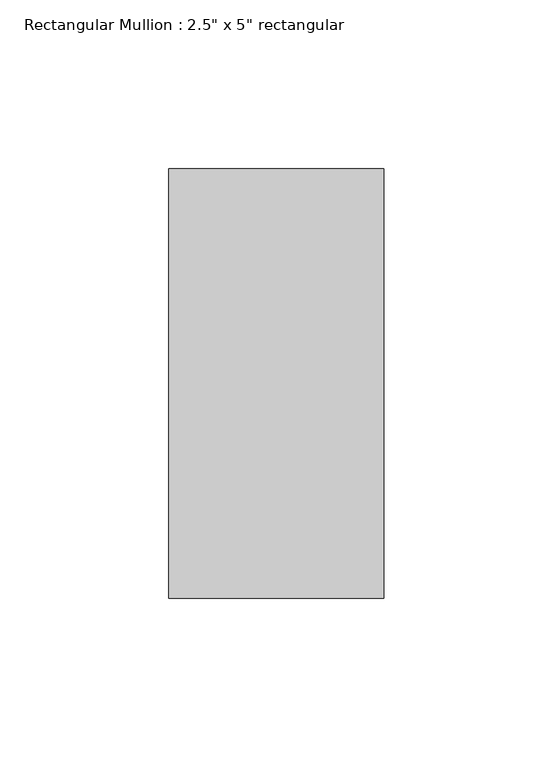
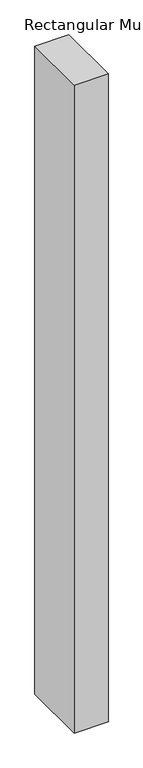
"""IFC4 building model written with IfcOpenShell, lengths in millimetres: member geometry."""

from ifc_helpers import new_model, si_unit, frame, origin, place, context, project, spatial, polyline, outline, extrude, source, transform, mapped, element, save


def member_46c22ae3(model_context):
    return source(origin(), model_context, "Body", "SweptSolid", [
        extrude(outline(polyline([(0.0, 63.5), (0.0, -63.5), (-63.5, -63.5), (-63.5, 63.5), (0.0, 63.5)])), frame((0.0, 0.0, -1282.0945449), z_axis=(0.0, 0.0, 1.0), x_axis=(1.0, 0.0, 0.0)), (0.0, 0.0, 1.0), 1282.0945449),
    ])


if __name__ == "__main__":
    model = new_model("IFC4")
    model_context = context("Model", 3, world=origin())
    ifc_project = project(units=[si_unit("LENGTHUNIT", "METRE", prefix="MILLI")], contexts=[model_context])
    site = spatial("IfcSite", under=ifc_project)
    building = spatial("IfcBuilding", under=site)
    placement = place(None, origin())
    member_shape = member_46c22ae3(model_context)
    element("IfcMember", 1, ObjectType="Rectangular Mullion : 2.5\" x 5\" rectangular", at=placement, inside=building, context=model_context, shape_type="MappedRepresentation", body=[
        mapped(member_shape, transform((0.0, 0.0, 0.0), x_axis=(1.0, 0.0, 0.0), y_axis=(0.0, 1.0, 0.0), z_axis=(0.0, 0.0, 1.0))),
    ])
    save(model, "model.ifc")
